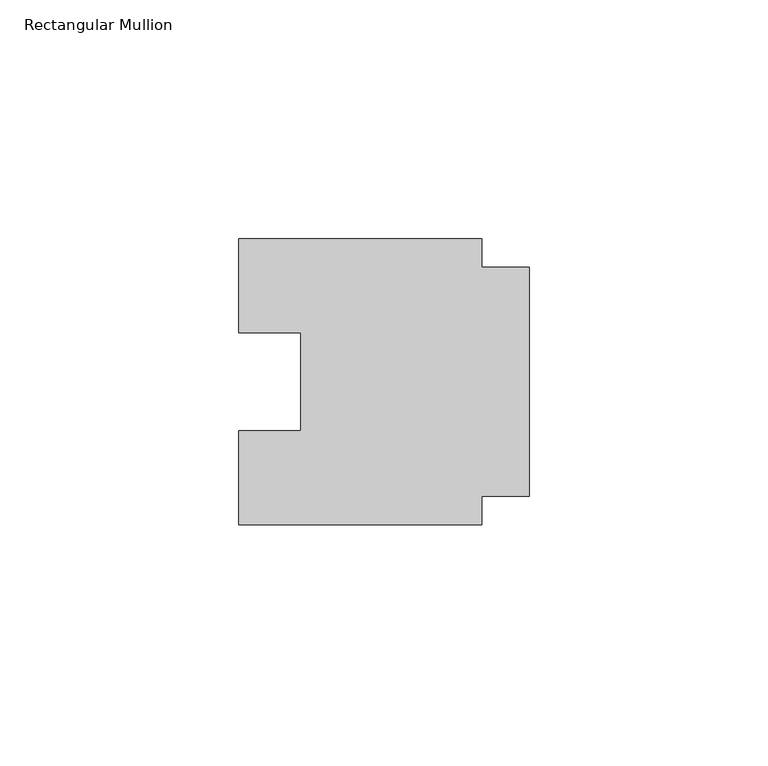
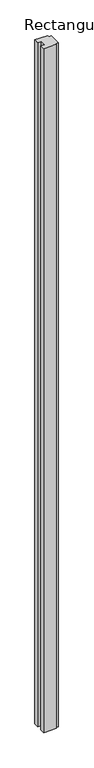
"""IFC4 building model written with IfcOpenShell, lengths in millimetres: member geometry, Rectangular Mullion."""

from ifc_helpers import new_model, si_unit, frame, origin, place, context, project, spatial, polyline, outline, extrude, source, transform, mapped, element, save


def rectangular_mullion_6b6dd389(model_context):
    return source(origin(), model_context, "Body", "SweptSolid", [
        extrude(outline(polyline([(-10.0, -24.0), (-10.0, -30.0), (-61.0, -30.0), (-61.0, -10.25), (-48.0, -10.25), (-48.0, 10.25), (-61.0, 10.25), (-61.0, 30.0), (-10.0, 30.0), (-10.0, 24.0), (0.0, 24.0), (0.0, -24.0), (-10.0, -24.0)])), frame((0.0, 0.0, -2878.0), z_axis=(0.0, 0.0, 1.0), x_axis=(1.0, 0.0, 0.0)), (0.0, 0.0, 1.0), 2878.0),
    ])


if __name__ == "__main__":
    model = new_model("IFC4")
    model_context = context("Model", 3, world=origin())
    ifc_project = project(units=[si_unit("LENGTHUNIT", "METRE", prefix="MILLI")], contexts=[model_context])
    site = spatial("IfcSite", under=ifc_project)
    building = spatial("IfcBuilding", under=site)
    placement = place(None, origin())
    rectangular_mullion_shape = rectangular_mullion_6b6dd389(model_context)
    element("IfcMember", 1, ObjectType="Rectangular Mullion", at=placement, inside=building, context=model_context, shape_type="MappedRepresentation", body=[
        mapped(rectangular_mullion_shape, transform((0.0, 0.0, 0.0), x_axis=(1.0, 0.0, 0.0), y_axis=(0.0, 1.0, 0.0), z_axis=(0.0, 0.0, 1.0))),
    ])
    save(model, "model.ifc")
